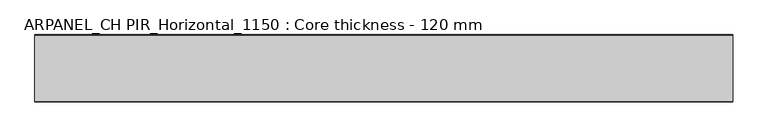
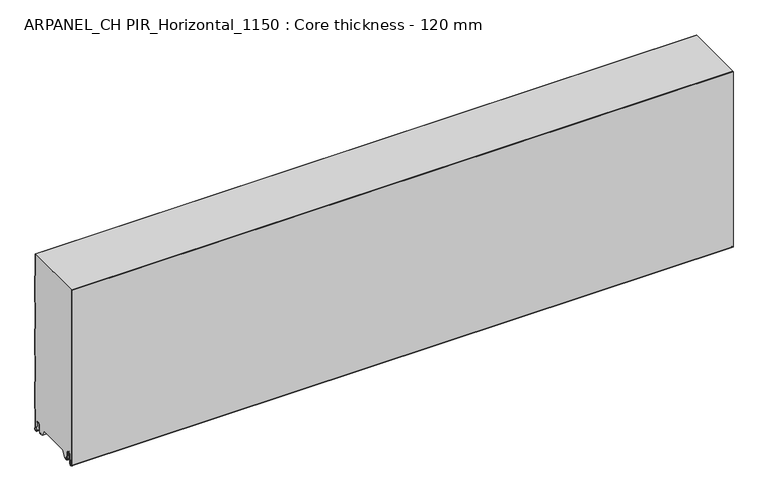
"""IFC4 building model written with IfcOpenShell, lengths in millimetres: plate geometry, ARPANEL_CH PIR_Horizontal_1150 : Core thickness - 120 mm."""

from ifc_helpers import new_model, si_unit, frame, origin, place, context, project, spatial, polyline, circle_curve, source, transform, mapped, element, save
from ifc_brep_helpers import plane_surface, cylinder_surface, revolved_surface, advanced_brep


def arpanel_ch_pir_horizontal_1150_core_thickness_120_mm_212ebed5(model_context):
    return source(origin(), model_context, "Body", "AdvancedBrep", [
        advanced_brep(
        [(620.0, -119.9996949, 3.0900682), (620.0, -113.81449, 2.7875612), (620.0, -112.197116, 19.2828169), (620.0, -109.1776715, 21.9898782), (620.0, -106.1582271, 19.2828169), (620.0, -104.7725998, 5.1510966), (620.0, -100.3830995, 5.365779), (620.0, -101.1830995, 5.365779), (620.0, -103.9764178, 5.2291629), (620.0, -105.3620451, 19.3608832), (620.0, -109.1776715, 22.7899182), (620.0, -112.9932979, 19.3608832), (620.0, -114.6106719, 2.8656275), (620.0, -119.1996949, 3.0900682), (620.0, -119.2, 350.0), (620.0, -119.9996949, 350.0), (-620.0, -119.1996949, 3.0900682), (-620.0, -114.6106719, 2.8656275), (-620.0, -112.9932979, 19.3608832), (-620.0, -109.1776715, 22.7899182), (-620.0, -105.3620451, 19.3608832), (-620.0, -103.9764178, 5.2291629), (-620.0, -101.1830995, 5.365779), (-620.0, -100.3830995, 5.365779), (-620.0, -104.7725998, 5.1510966), (-620.0, -106.1582271, 19.2828169), (-620.0, -109.1776715, 21.9898782), (-620.0, -112.197116, 19.2828169), (-620.0, -113.81449, 2.7875612), (-620.0, -119.9996949, 3.0900682), (-620.0, -119.9996949, 350.0), (-620.0, -119.2, 350.0)],
        [
            (0, 1, circle_curve(frame((620.0, -116.8996949, 3.0900682), z_axis=(1.0, 0.0, 0.0), x_axis=(0.0, 0.0, -1.0)), 3.1)),
            (1, 2),
            (2, 3, circle_curve(frame((620.0, -109.2114338, 18.9900682), z_axis=(-1.0, 0.0, 0.0), x_axis=(0.0, 0.0, -1.0)), 3.0)),
            (3, 4, circle_curve(frame((620.0, -109.1439093, 18.9900682), z_axis=(-1.0, 0.0, 0.0), x_axis=(0.0, 0.0, -1.0)), 3.0)),
            (4, 5),
            (5, 6, circle_curve(frame((620.0, -102.5830995, 5.365779), z_axis=(1.0, 0.0, 0.0), x_axis=(0.0, 0.0, -1.0)), 2.2)),
            (6, 7),
            (7, 8, circle_curve(frame((620.0, -102.5830995, 5.365779), z_axis=(-1.0, 0.0, 0.0), x_axis=(0.0, 0.0, -1.0)), 1.4)),
            (8, 9),
            (9, 10, circle_curve(frame((620.0, -109.1439093, 18.9900682), z_axis=(1.0, 0.0, 0.0), x_axis=(0.0, 0.0, -1.0)), 3.8)),
            (10, 11, circle_curve(frame((620.0, -109.2114338, 18.9900682), z_axis=(1.0, 0.0, 0.0), x_axis=(0.0, 0.0, -1.0)), 3.8)),
            (11, 12),
            (12, 13, circle_curve(frame((620.0, -116.8996949, 3.0900682), z_axis=(-1.0, 0.0, 0.0), x_axis=(0.0, 0.0, -1.0)), 2.3)),
            (13, 14),
            (14, 15),
            (15, 0),
            (16, 17, circle_curve(frame((-620.0, -116.8996949, 3.0900682), z_axis=(1.0, 0.0, 0.0), x_axis=(0.0, 0.0, -1.0)), 2.3)),
            (17, 18),
            (18, 19, circle_curve(frame((-620.0, -109.2114338, 18.9900682), z_axis=(-1.0, 0.0, 0.0), x_axis=(0.0, 0.0, -1.0)), 3.8)),
            (19, 20, circle_curve(frame((-620.0, -109.1439093, 18.9900682), z_axis=(-1.0, 0.0, 0.0), x_axis=(0.0, 0.0, -1.0)), 3.8)),
            (20, 21),
            (21, 22, circle_curve(frame((-620.0, -102.5830995, 5.365779), z_axis=(1.0, 0.0, 0.0), x_axis=(0.0, 0.0, -1.0)), 1.4)),
            (22, 23),
            (23, 24, circle_curve(frame((-620.0, -102.5830995, 5.365779), z_axis=(-1.0, 0.0, 0.0), x_axis=(0.0, 0.0, -1.0)), 2.2)),
            (24, 25),
            (25, 26, circle_curve(frame((-620.0, -109.1439093, 18.9900682), z_axis=(1.0, 0.0, 0.0), x_axis=(0.0, 0.0, -1.0)), 3.0)),
            (26, 27, circle_curve(frame((-620.0, -109.2114338, 18.9900682), z_axis=(1.0, 0.0, 0.0), x_axis=(0.0, 0.0, -1.0)), 3.0)),
            (27, 28),
            (28, 29, circle_curve(frame((-620.0, -116.8996949, 3.0900682), z_axis=(-1.0, 0.0, 0.0), x_axis=(0.0, 0.0, -1.0)), 3.1)),
            (29, 30),
            (30, 31),
            (31, 16),
            (13, 16),
            (31, 14),
            (29, 0),
            (15, 30),
            (12, 17),
            (11, 18),
            (10, 19),
            (9, 20),
            (8, 21),
            (7, 22),
            (6, 23),
            (5, 24),
            (4, 25),
            (3, 26),
            (2, 27),
            (1, 28),
        ],
        [
            plane_surface(frame((620.0, -120.0, 0.0), z_axis=(1.0, 0.0, 0.0), x_axis=(0.0, 1.0, 0.0))),
            plane_surface(frame((-620.0, -120.0, 0.0), z_axis=(-1.0, 0.0, 0.0), x_axis=(0.0, 1.0, 0.0))),
            plane_surface(frame((620.0, -119.2, 3.0900682), z_axis=(0.0, 1.0, 0.0), x_axis=(-1.0, 0.0, 0.0))),
            plane_surface(frame((620.0, -119.9996949, 1143.9000005), z_axis=(0.0, -1.0, 0.0), x_axis=(-1.0, 0.0, 0.0))),
            revolved_surface(polyline([(-620.0, -116.8996949, 0.7900682000000003), (620.0, -116.8996949, 0.7900682000000003)]), (620.0, -116.8996949, 3.0900682), (-1.0, 0.0, 0.0)),
            plane_surface(frame((620.0, -112.9932979, 19.3608832), z_axis=(0.0, -0.9952273999818314, 0.09758289975914787), x_axis=(-1.0, 0.0, 0.0))),
            cylinder_surface(frame((620.0, -109.2114338, 18.9900682), z_axis=(1.0, 0.0, 0.0), x_axis=(0.0, 0.0, -1.0)), 3.8),
            cylinder_surface(frame((620.0, -109.1439093, 18.9900682), z_axis=(1.0, 0.0, 0.0), x_axis=(0.0, 0.0, -1.0)), 3.8),
            plane_surface(frame((620.0, -103.9764178, 5.2291629), z_axis=(0.0, 0.9952273999818297, 0.09758289975916531), x_axis=(-1.0, 0.0, 0.0))),
            revolved_surface(polyline([(-620.0, -102.5830995, 3.965779), (620.0, -102.5830995, 3.965779)]), (620.0, -102.5830995, 5.365779), (-1.0, 0.0, 0.0)),
            plane_surface(frame((620.0, -100.3830995, 5.365779), z_axis=(0.0, 0.0, 1.0), x_axis=(-1.0, 0.0, 0.0))),
            cylinder_surface(frame((620.0, -102.5830995, 5.365779), z_axis=(1.0, 0.0, 0.0), x_axis=(0.0, 0.0, -1.0)), 2.2),
            plane_surface(frame((620.0, -106.1582271, 19.2828169), z_axis=(0.0, -0.9952273999818296, -0.09758289975916527), x_axis=(-1.0, 0.0, 0.0))),
            revolved_surface(polyline([(-620.0, -109.1439093, 15.9900682), (620.0, -109.1439093, 15.9900682)]), (620.0, -109.1439093, 18.9900682), (-1.0, 0.0, 0.0)),
            revolved_surface(polyline([(-620.0, -109.2114338, 15.9900682), (620.0, -109.2114338, 15.9900682)]), (620.0, -109.2114338, 18.9900682), (-1.0, 0.0, 0.0)),
            plane_surface(frame((620.0, -113.81449, 2.7875612), z_axis=(0.0, 0.9952273999818314, -0.09758289975914787), x_axis=(-1.0, 0.0, 0.0))),
            cylinder_surface(frame((620.0, -116.8996949, 3.0900682), z_axis=(1.0, 0.0, 0.0), x_axis=(0.0, 0.0, -1.0)), 3.1),
            plane_surface(frame((-620.0, 134.0533409, 350.0), z_axis=(0.0, 0.0, 1.0), x_axis=(1.0, 0.0, 0.0))),
        ],
        [
            (0, [[1, 2, 3, 4, 5, 6, 7, 8, 9, 10, 11, 12, 13, 14, 15, 16]]),
            (1, [[17, 18, 19, 20, 21, 22, 23, 24, 25, 26, 27, 28, 29, 30, 31, 32]]),
            (2, [[33, -32, 34, -14]]),
            (3, [[35, -16, 36, -30]]),
            (4, [[-13, 37, -17, -33]]),
            (5, [[-12, 38, -18, -37]]),
            (6, [[-11, 39, -19, -38]]),
            (7, [[-10, 40, -20, -39]]),
            (8, [[-9, 41, -21, -40]]),
            (9, [[-8, 42, -22, -41]]),
            (10, [[-7, 43, -23, -42]]),
            (11, [[-6, 44, -24, -43]]),
            (12, [[-5, 45, -25, -44]]),
            (13, [[-4, 46, -26, -45]]),
            (14, [[-3, 47, -27, -46]]),
            (15, [[-2, 48, -28, -47]]),
            (16, [[-1, -35, -29, -48]]),
            (17, [[-15, -34, -31, -36]]),
        ],
    ),
        advanced_brep(
        [(620.0, -89.873448, 15.1417681), (620.0, -30.126552, 15.1417681), (620.0, -23.4071318, 3.165779), (620.0, -17.4169005, 3.165779), (620.0, -19.6169005, 5.365779), (620.0, -18.8169005, 5.365779), (620.0, -16.0235822, 5.2291629), (620.0, -14.6379549, 19.3608832), (620.0, -10.8223285, 22.7899182), (620.0, -7.0067021, 19.3608832), (620.0, -5.3893281, 2.8656275), (620.0, -1.0794848, 4.1883784), (620.0, -1.5003051, 5.8439114), (620.0, -1.5003051, 42.0511837), (620.0, -1.0971009, 43.4705951), (620.0, -0.8, 44.5229805), (620.0, -0.8, 94.6827637), (620.0, -1.0986697, 95.7341795), (620.0, -1.5003051, 97.1545605), (620.0, -1.5003051, 147.3143437), (620.0, -1.0971009, 148.7337551), (620.0, -0.8, 149.7861405), (620.0, -0.8, 199.9459237), (620.0, -1.0986697, 200.9973395), (620.0, -1.5003051, 202.4177205), (620.0, -1.5003051, 252.5775037), (620.0, -1.0971009, 253.9969151), (620.0, -0.8, 255.0493005), (620.0, -0.8, 305.2090837), (620.0, -1.0986697, 306.2604995), (620.0, -1.5003051, 307.6808805), (620.0, -1.5003051, 350.0), (620.0, -119.2, 350.0), (620.0, -119.2, 3.0900682), (620.0, -114.6106719, 2.8656275), (620.0, -112.9932979, 19.3608832), (620.0, -109.1776715, 22.7899182), (620.0, -105.3620451, 19.3608832), (620.0, -103.9764178, 5.2291629), (620.0, -101.1830995, 5.365779), (620.0, -100.3830995, 5.365779), (620.0, -102.5830995, 3.165779), (620.0, -96.5928682, 3.165779), (-620.0, -30.126552, 15.1417681), (-620.0, -89.873448, 15.1417681), (-620.0, -96.5928682, 3.165779), (-620.0, -102.5830995, 3.165779), (-620.0, -100.3830995, 5.365779), (-620.0, -101.1830995, 5.365779), (-620.0, -103.9764178, 5.2291629), (-620.0, -105.3620451, 19.3608832), (-620.0, -109.1776715, 22.7899182), (-620.0, -112.9932979, 19.3608832), (-620.0, -114.6106719, 2.8656275), (-620.0, -119.1996949, 3.0900682), (-620.0, -119.2, 350.0), (-620.0, -1.5003051, 350.0), (-620.0, -1.5003051, 307.6808805), (-620.0, -1.0971009, 306.2614691), (-620.0, -0.8, 305.2090837), (-620.0, -0.8, 255.0493005), (-620.0, -1.0986697, 253.9978846), (-620.0, -1.5003051, 252.5775037), (-620.0, -1.5003051, 202.4177205), (-620.0, -1.0971009, 200.9983091), (-620.0, -0.8, 199.9459237), (-620.0, -0.8, 149.7861405), (-620.0, -1.0986697, 148.7347246), (-620.0, -1.5003051, 147.3143437), (-620.0, -1.5003051, 97.1545605), (-620.0, -1.0971009, 95.7351491), (-620.0, -0.8, 94.6827637), (-620.0, -0.8, 44.5229805), (-620.0, -1.0986697, 43.4715646), (-620.0, -1.5003051, 42.0511837), (-620.0, -1.5003051, 5.8439114), (-620.0, -1.0794848, 4.1883784), (-620.0, -5.3893281, 2.8656275), (-620.0, -7.0067021, 19.3608832), (-620.0, -10.8223285, 22.7899182), (-620.0, -14.6379549, 19.3608832), (-620.0, -16.0235822, 5.2291629), (-620.0, -18.8169005, 5.365779), (-620.0, -19.6169005, 5.365779), (-620.0, -17.4169005, 3.165779), (-620.0, -23.4071318, 3.165779)],
        [
            (0, 1),
            (1, 2),
            (2, 3),
            (3, 4, circle_curve(frame((620.0, -17.4169005, 5.365779), z_axis=(-1.0, 0.0, 0.0), x_axis=(0.0, 0.0, -1.0)), 2.2)),
            (4, 5),
            (5, 6, circle_curve(frame((620.0, -17.4169005, 5.365779), z_axis=(1.0, 0.0, 0.0), x_axis=(0.0, 0.0, -1.0)), 1.4)),
            (6, 7),
            (7, 8, circle_curve(frame((620.0, -10.8560907, 18.9900682), z_axis=(-1.0, 0.0, 0.0), x_axis=(0.0, 0.0, -1.0)), 3.8)),
            (8, 9, circle_curve(frame((620.0, -10.7885662, 18.9900682), z_axis=(-1.0, 0.0, 0.0), x_axis=(0.0, 0.0, -1.0)), 3.8)),
            (9, 10),
            (10, 11, circle_curve(frame((620.0, -3.1003051, 3.0900682), z_axis=(1.0, 0.0, 0.0), x_axis=(0.0, 0.0, -1.0)), 2.3)),
            (11, 12, circle_curve(frame((620.0, 1.9665895, 5.8439114), z_axis=(-1.0, 0.0, 0.0), x_axis=(0.0, 0.0, -1.0)), 3.4668946)),
            (12, 13),
            (13, 14, circle_curve(frame((620.0, 1.1996949, 42.0511837), z_axis=(-1.0, 0.0, 0.0), x_axis=(0.0, 0.0, -1.0)), 2.7)),
            (14, 15, circle_curve(frame((620.0, -2.8, 44.5229805), z_axis=(1.0, 0.0, 0.0), x_axis=(0.0, 0.0, -1.0)), 2.0)),
            (15, 16),
            (16, 17, circle_curve(frame((620.0, -2.8, 94.6827637), z_axis=(1.0, 0.0, 0.0), x_axis=(0.0, 0.0, -1.0)), 2.0)),
            (17, 18, circle_curve(frame((620.0, 1.1996949, 97.1545605), z_axis=(-1.0, 0.0, 0.0), x_axis=(0.0, 0.0, -1.0)), 2.7)),
            (18, 19),
            (19, 20, circle_curve(frame((620.0, 1.1996949, 147.3143437), z_axis=(-1.0, 0.0, 0.0), x_axis=(0.0, 0.0, -1.0)), 2.7)),
            (20, 21, circle_curve(frame((620.0, -2.8, 149.7861405), z_axis=(1.0, 0.0, 0.0), x_axis=(0.0, 0.0, -1.0)), 2.0)),
            (21, 22),
            (22, 23, circle_curve(frame((620.0, -2.8, 199.9459237), z_axis=(1.0, 0.0, 0.0), x_axis=(0.0, 0.0, -1.0)), 2.0)),
            (23, 24, circle_curve(frame((620.0, 1.1996949, 202.4177205), z_axis=(-1.0, 0.0, 0.0), x_axis=(0.0, 0.0, -1.0)), 2.7)),
            (24, 25),
            (25, 26, circle_curve(frame((620.0, 1.1996949, 252.5775037), z_axis=(-1.0, 0.0, 0.0), x_axis=(0.0, 0.0, -1.0)), 2.7)),
            (26, 27, circle_curve(frame((620.0, -2.8, 255.0493005), z_axis=(1.0, 0.0, 0.0), x_axis=(0.0, 0.0, -1.0)), 2.0)),
            (27, 28),
            (28, 29, circle_curve(frame((620.0, -2.8, 305.2090837), z_axis=(1.0, 0.0, 0.0), x_axis=(0.0, 0.0, -1.0)), 2.0)),
            (29, 30, circle_curve(frame((620.0, 1.1996949, 307.6808805), z_axis=(-1.0, 0.0, 0.0), x_axis=(0.0, 0.0, -1.0)), 2.7)),
            (30, 31),
            (31, 32),
            (32, 33),
            (33, 34, circle_curve(frame((620.0, -116.8996949, 3.0900682), z_axis=(1.0, 0.0, 0.0), x_axis=(0.0, 0.0, -1.0)), 2.3)),
            (34, 35),
            (35, 36, circle_curve(frame((620.0, -109.2114338, 18.9900682), z_axis=(-1.0, 0.0, 0.0), x_axis=(0.0, 0.0, -1.0)), 3.8)),
            (36, 37, circle_curve(frame((620.0, -109.1439093, 18.9900682), z_axis=(-1.0, 0.0, 0.0), x_axis=(0.0, 0.0, -1.0)), 3.8)),
            (37, 38),
            (38, 39, circle_curve(frame((620.0, -102.5830995, 5.365779), z_axis=(1.0, 0.0, 0.0), x_axis=(0.0, 0.0, -1.0)), 1.4)),
            (39, 40),
            (40, 41, circle_curve(frame((620.0, -102.5830995, 5.365779), z_axis=(-1.0, 0.0, 0.0), x_axis=(0.0, 0.0, -1.0)), 2.2)),
            (41, 42),
            (42, 0),
            (43, 44),
            (44, 45),
            (45, 46),
            (46, 47, circle_curve(frame((-620.0, -102.5830995, 5.365779), z_axis=(1.0, 0.0, 0.0), x_axis=(0.0, 0.0, -1.0)), 2.2)),
            (47, 48),
            (48, 49, circle_curve(frame((-620.0, -102.5830995, 5.365779), z_axis=(-1.0, 0.0, 0.0), x_axis=(0.0, 0.0, -1.0)), 1.4)),
            (49, 50),
            (50, 51, circle_curve(frame((-620.0, -109.1439093, 18.9900682), z_axis=(1.0, 0.0, 0.0), x_axis=(0.0, 0.0, -1.0)), 3.8)),
            (51, 52, circle_curve(frame((-620.0, -109.2114338, 18.9900682), z_axis=(1.0, 0.0, 0.0), x_axis=(0.0, 0.0, -1.0)), 3.8)),
            (52, 53),
            (53, 54, circle_curve(frame((-620.0, -116.8996949, 3.0900682), z_axis=(-1.0, 0.0, 0.0), x_axis=(0.0, 0.0, -1.0)), 2.3)),
            (54, 55),
            (55, 56),
            (56, 57),
            (57, 58, circle_curve(frame((-620.0, 1.1996949, 307.6808805), z_axis=(1.0, 0.0, 0.0), x_axis=(0.0, 0.0, -1.0)), 2.7)),
            (58, 59, circle_curve(frame((-620.0, -2.8, 305.2090837), z_axis=(-1.0, 0.0, 0.0), x_axis=(0.0, 0.0, -1.0)), 2.0)),
            (59, 60),
            (60, 61, circle_curve(frame((-620.0, -2.8, 255.0493005), z_axis=(-1.0, 0.0, 0.0), x_axis=(0.0, 0.0, -1.0)), 2.0)),
            (61, 62, circle_curve(frame((-620.0, 1.1996949, 252.5775037), z_axis=(1.0, 0.0, 0.0), x_axis=(0.0, 0.0, -1.0)), 2.7)),
            (62, 63),
            (63, 64, circle_curve(frame((-620.0, 1.1996949, 202.4177205), z_axis=(1.0, 0.0, 0.0), x_axis=(0.0, 0.0, -1.0)), 2.7)),
            (64, 65, circle_curve(frame((-620.0, -2.8, 199.9459237), z_axis=(-1.0, 0.0, 0.0), x_axis=(0.0, 0.0, -1.0)), 2.0)),
            (65, 66),
            (66, 67, circle_curve(frame((-620.0, -2.8, 149.7861405), z_axis=(-1.0, 0.0, 0.0), x_axis=(0.0, 0.0, -1.0)), 2.0)),
            (67, 68, circle_curve(frame((-620.0, 1.1996949, 147.3143437), z_axis=(1.0, 0.0, 0.0), x_axis=(0.0, 0.0, -1.0)), 2.7)),
            (68, 69),
            (69, 70, circle_curve(frame((-620.0, 1.1996949, 97.1545605), z_axis=(1.0, 0.0, 0.0), x_axis=(0.0, 0.0, -1.0)), 2.7)),
            (70, 71, circle_curve(frame((-620.0, -2.8, 94.6827637), z_axis=(-1.0, 0.0, 0.0), x_axis=(0.0, 0.0, -1.0)), 2.0)),
            (71, 72),
            (72, 73, circle_curve(frame((-620.0, -2.8, 44.5229805), z_axis=(-1.0, 0.0, 0.0), x_axis=(0.0, 0.0, -1.0)), 2.0)),
            (73, 74, circle_curve(frame((-620.0, 1.1996949, 42.0511837), z_axis=(1.0, 0.0, 0.0), x_axis=(0.0, 0.0, -1.0)), 2.7)),
            (74, 75),
            (75, 76, circle_curve(frame((-620.0, 1.9665895, 5.8439114), z_axis=(1.0, 0.0, 0.0), x_axis=(0.0, 0.0, -1.0)), 3.4668946)),
            (76, 77, circle_curve(frame((-620.0, -3.1003051, 3.0900682), z_axis=(-1.0, 0.0, 0.0), x_axis=(0.0, 0.0, -1.0)), 2.3)),
            (77, 78),
            (78, 79, circle_curve(frame((-620.0, -10.7885662, 18.9900682), z_axis=(1.0, 0.0, 0.0), x_axis=(0.0, 0.0, -1.0)), 3.8)),
            (79, 80, circle_curve(frame((-620.0, -10.8560907, 18.9900682), z_axis=(1.0, 0.0, 0.0), x_axis=(0.0, 0.0, -1.0)), 3.8)),
            (80, 81),
            (81, 82, circle_curve(frame((-620.0, -17.4169005, 5.365779), z_axis=(-1.0, 0.0, 0.0), x_axis=(0.0, 0.0, -1.0)), 1.4)),
            (82, 83),
            (83, 84, circle_curve(frame((-620.0, -17.4169005, 5.365779), z_axis=(1.0, 0.0, 0.0), x_axis=(0.0, 0.0, -1.0)), 2.2)),
            (84, 85),
            (85, 43),
            (1, 43),
            (85, 2),
            (0, 44),
            (42, 45),
            (64, 23),
            (22, 65),
            (63, 24),
            (62, 25),
            (61, 26),
            (60, 27),
            (59, 28),
            (58, 29),
            (57, 30),
            (56, 31),
            (54, 33),
            (32, 55),
            (84, 3),
            (41, 46),
            (83, 4),
            (82, 5),
            (81, 6),
            (80, 7),
            (79, 8),
            (78, 9),
            (77, 10),
            (76, 11),
            (75, 12),
            (74, 13),
            (73, 14),
            (72, 15),
            (71, 16),
            (70, 17),
            (69, 18),
            (68, 19),
            (67, 20),
            (66, 21),
            (53, 34),
            (52, 35),
            (51, 36),
            (50, 37),
            (49, 38),
            (48, 39),
            (47, 40),
        ],
        [
            plane_surface(frame((620.0, 0.0, 0.0), z_axis=(1.0, 0.0, 0.0), x_axis=(0.0, -1.0, 0.0))),
            plane_surface(frame((-620.0, 0.0, 0.0), z_axis=(-1.0, 0.0, 0.0), x_axis=(0.0, -1.0, 0.0))),
            plane_surface(frame((620.0, -30.126552, 15.1417681), z_axis=(0.0, -0.8721062992196836, -0.4893164649399687), x_axis=(-1.0, 0.0, 0.0))),
            plane_surface(frame((620.0, -89.873448, 15.1417681), z_axis=(0.0, 0.0, -1.0), x_axis=(-1.0, 0.0, 0.0))),
            plane_surface(frame((620.0, -96.8190247, 2.7627014), z_axis=(0.0, 0.8721062992196856, -0.48931646493996506), x_axis=(-1.0, 0.0, 0.0))),
            cylinder_surface(frame((750.0, -2.8, 199.9459237), z_axis=(-1.0, 0.0, 0.0), x_axis=(0.0, 0.0, -1.0)), 2.0),
            revolved_surface(polyline([(620.0, 1.1996949, 199.7177205), (-620.0, 1.1996949, 199.7177205)]), (750.0, 1.1996949, 202.4177205), (1.0, 0.0, 0.0)),
            plane_surface(frame((750.0, -1.5003051, 252.5775037), z_axis=(0.0, 1.0, 0.0), x_axis=(-1.0, 0.0, 0.0))),
            revolved_surface(polyline([(620.0, 1.1996949, 249.8775037), (-620.0, 1.1996949, 249.8775037)]), (750.0, 1.1996949, 252.5775037), (1.0, 0.0, 0.0)),
            cylinder_surface(frame((750.0, -2.8, 255.0493005), z_axis=(-1.0, 0.0, 0.0), x_axis=(0.0, 0.0, -1.0)), 2.0),
            plane_surface(frame((750.0, -0.8, 305.2090837), z_axis=(0.0, 1.0, 0.0), x_axis=(-1.0, 0.0, 0.0))),
            cylinder_surface(frame((750.0, -2.8, 305.2090837), z_axis=(-1.0, 0.0, 0.0), x_axis=(0.0, 0.0, -1.0)), 2.0),
            revolved_surface(polyline([(620.0, 1.1996949, 304.9808805), (-620.0, 1.1996949, 304.9808805)]), (750.0, 1.1996949, 307.6808805), (1.0, 0.0, 0.0)),
            plane_surface(frame((750.0, -1.5003051, 357.8406637), z_axis=(0.0, 1.0, 0.0), x_axis=(-1.0, 0.0, 0.0))),
            plane_surface(frame((750.0, -119.2, 3.0900682), z_axis=(0.0, -1.0, 0.0), x_axis=(-1.0, 0.0, 0.0))),
            plane_surface(frame((-620.0, -102.5830995, 3.165779), z_axis=(0.0, 0.0, -1.0), x_axis=(1.0, 0.0, 0.0))),
            revolved_surface(polyline([(620.0, -17.4169005, 3.1657789999999997), (-620.0, -17.4169005, 3.1657789999999997)]), (750.0, -17.4169005, 5.365779), (1.0, 0.0, 0.0)),
            plane_surface(frame((750.0, -18.8169005, 5.365779), z_axis=(0.0, 0.0, -1.0), x_axis=(-1.0, 0.0, 0.0))),
            cylinder_surface(frame((750.0, -17.4169005, 5.365779), z_axis=(-1.0, 0.0, 0.0), x_axis=(0.0, 0.0, -1.0)), 1.4),
            plane_surface(frame((750.0, -14.6379549, 19.3608832), z_axis=(0.0, 0.9952273999818297, -0.09758289975916531), x_axis=(-1.0, 0.0, 0.0))),
            revolved_surface(polyline([(620.0, -10.8560907, 15.190068199999999), (-620.0, -10.8560907, 15.190068199999999)]), (750.0, -10.8560907, 18.9900682), (1.0, 0.0, 0.0)),
            revolved_surface(polyline([(620.0, -10.7885662, 15.190068199999999), (-620.0, -10.7885662, 15.190068199999999)]), (750.0, -10.7885662, 18.9900682), (1.0, 0.0, 0.0)),
            plane_surface(frame((750.0, -5.3893281, 2.8656275), z_axis=(0.0, -0.9952273999818314, -0.09758289975914787), x_axis=(-1.0, 0.0, 0.0))),
            cylinder_surface(frame((750.0, -3.1003051, 3.0900682), z_axis=(-1.0, 0.0, 0.0), x_axis=(0.0, 0.0, -1.0)), 2.3),
            revolved_surface(polyline([(620.0, 1.9665895, 2.3770168), (-620.0, 1.9665895, 2.3770168)]), (750.0, 1.9665895, 5.8439114), (1.0, 0.0, 0.0)),
            plane_surface(frame((750.0, -1.5003051, 42.0511837), z_axis=(0.0, 1.0, 0.0), x_axis=(-1.0, 0.0, 0.0))),
            revolved_surface(polyline([(620.0, 1.1996949, 39.3511837), (-620.0, 1.1996949, 39.3511837)]), (750.0, 1.1996949, 42.0511837), (1.0, 0.0, 0.0)),
            cylinder_surface(frame((750.0, -2.8, 44.5229805), z_axis=(-1.0, 0.0, 0.0), x_axis=(0.0, 0.0, -1.0)), 2.0),
            plane_surface(frame((750.0, -0.8, 94.6827637), z_axis=(0.0, 1.0, 0.0), x_axis=(-1.0, 0.0, 0.0))),
            cylinder_surface(frame((750.0, -2.8, 94.6827637), z_axis=(-1.0, 0.0, 0.0), x_axis=(0.0, 0.0, -1.0)), 2.0),
            revolved_surface(polyline([(620.0, 1.1996949, 94.4545605), (-620.0, 1.1996949, 94.4545605)]), (750.0, 1.1996949, 97.1545605), (1.0, 0.0, 0.0)),
            plane_surface(frame((750.0, -1.5003051, 147.3143437), z_axis=(0.0, 1.0, 0.0), x_axis=(-1.0, 0.0, 0.0))),
            revolved_surface(polyline([(620.0, 1.1996949, 144.6143437), (-620.0, 1.1996949, 144.6143437)]), (750.0, 1.1996949, 147.3143437), (1.0, 0.0, 0.0)),
            cylinder_surface(frame((750.0, -2.8, 149.7861405), z_axis=(-1.0, 0.0, 0.0), x_axis=(0.0, 0.0, -1.0)), 2.0),
            plane_surface(frame((750.0, -0.8, 199.9459237), z_axis=(0.0, 1.0, 0.0), x_axis=(-1.0, 0.0, 0.0))),
            cylinder_surface(frame((750.0, -116.8996949, 3.0900682), z_axis=(-1.0, 0.0, 0.0), x_axis=(0.0, 0.0, -1.0)), 2.3),
            plane_surface(frame((750.0, -112.9932979, 19.3608832), z_axis=(0.0, 0.9952273999818314, -0.09758289975914787), x_axis=(-1.0, 0.0, 0.0))),
            revolved_surface(polyline([(620.0, -109.2114338, 15.190068199999999), (-620.0, -109.2114338, 15.190068199999999)]), (750.0, -109.2114338, 18.9900682), (1.0, 0.0, 0.0)),
            revolved_surface(polyline([(620.0, -109.1439093, 15.190068199999999), (-620.0, -109.1439093, 15.190068199999999)]), (750.0, -109.1439093, 18.9900682), (1.0, 0.0, 0.0)),
            plane_surface(frame((750.0, -103.9764178, 5.2291629), z_axis=(0.0, -0.9952273999818297, -0.09758289975916531), x_axis=(-1.0, 0.0, 0.0))),
            cylinder_surface(frame((750.0, -102.5830995, 5.365779), z_axis=(-1.0, 0.0, 0.0), x_axis=(0.0, 0.0, -1.0)), 1.4),
            plane_surface(frame((750.0, -100.3830995, 5.365779), z_axis=(0.0, 0.0, -1.0), x_axis=(-1.0, 0.0, 0.0))),
            revolved_surface(polyline([(620.0, -102.5830995, 3.1657789999999997), (-620.0, -102.5830995, 3.1657789999999997)]), (750.0, -102.5830995, 5.365779), (1.0, 0.0, 0.0)),
            plane_surface(frame((-620.0, 134.0533409, 350.0), z_axis=(0.0, 0.0, 1.0), x_axis=(1.0, 0.0, 0.0))),
        ],
        [
            (0, [[1, 2, 3, 4, 5, 6, 7, 8, 9, 10, 11, 12, 13, 14, 15, 16, 17, 18, 19, 20, 21, 22, 23, 24, 25, 26, 27, 28, 29, 30, 31, 32, 33, 34, 35, 36, 37, 38, 39, 40, 41, 42, 43]]),
            (1, [[44, 45, 46, 47, 48, 49, 50, 51, 52, 53, 54, 55, 56, 57, 58, 59, 60, 61, 62, 63, 64, 65, 66, 67, 68, 69, 70, 71, 72, 73, 74, 75, 76, 77, 78, 79, 80, 81, 82, 83, 84, 85, 86]]),
            (2, [[87, -86, 88, -2]]),
            (3, [[-1, 89, -44, -87]]),
            (4, [[-89, -43, 90, -45]]),
            (5, [[91, -23, 92, -65]]),
            (6, [[-91, -64, 93, -24]]),
            (7, [[-93, -63, 94, -25]]),
            (8, [[-94, -62, 95, -26]]),
            (9, [[-95, -61, 96, -27]]),
            (10, [[-96, -60, 97, -28]]),
            (11, [[-97, -59, 98, -29]]),
            (12, [[-98, -58, 99, -30]]),
            (13, [[-99, -57, 100, -31]]),
            (14, [[101, -33, 102, -55]]),
            (15, [[-3, -88, -85, 103]]),
            (15, [[-42, 104, -46, -90]]),
            (16, [[105, -4, -103, -84]]),
            (17, [[-105, -83, 106, -5]]),
            (18, [[-106, -82, 107, -6]]),
            (19, [[-107, -81, 108, -7]]),
            (20, [[-108, -80, 109, -8]]),
            (21, [[-109, -79, 110, -9]]),
            (22, [[-110, -78, 111, -10]]),
            (23, [[-111, -77, 112, -11]]),
            (24, [[-112, -76, 113, -12]]),
            (25, [[-113, -75, 114, -13]]),
            (26, [[-114, -74, 115, -14]]),
            (27, [[-115, -73, 116, -15]]),
            (28, [[-116, -72, 117, -16]]),
            (29, [[-117, -71, 118, -17]]),
            (30, [[-118, -70, 119, -18]]),
            (31, [[-119, -69, 120, -19]]),
            (32, [[-120, -68, 121, -20]]),
            (33, [[-121, -67, 122, -21]]),
            (34, [[-122, -66, -92, -22]]),
            (35, [[-101, -54, 123, -34]]),
            (36, [[-123, -53, 124, -35]]),
            (37, [[-124, -52, 125, -36]]),
            (38, [[-125, -51, 126, -37]]),
            (39, [[-126, -50, 127, -38]]),
            (40, [[-127, -49, 128, -39]]),
            (41, [[-128, -48, 129, -40]]),
            (42, [[-129, -47, -104, -41]]),
            (43, [[-100, -56, -102, -32]]),
        ],
    ),
        advanced_brep(
        [(-620.0, -0.7003051, 307.6808805), (-620.0, -0.4016712, 306.6295226), (-620.0, -0.0003051, 305.2090837), (-620.0, -0.0003051, 255.0493005), (-620.0, -0.4034608, 253.6299674), (-620.0, -0.7003051, 252.5775037), (-620.0, -0.7003051, 202.4177205), (-620.0, -0.4016712, 201.3663626), (-620.0, -0.0003051, 199.9459237), (-620.0, -0.0003051, 149.7861405), (-620.0, -0.4034608, 148.3668074), (-620.0, -0.7003051, 147.3143437), (-620.0, -0.7003051, 97.1545605), (-620.0, -0.4016712, 96.1032026), (-620.0, -0.0003051, 94.6827637), (-620.0, -0.0003051, 44.5229805), (-620.0, -0.4034608, 43.1036474), (-620.0, -0.7003051, 42.0511837), (-620.0, -0.7003051, 6.8391397), (-620.0, -0.2091664, 4.208691), (-620.0, -6.18551, 2.7875612), (-620.0, -7.802884, 19.2828169), (-620.0, -10.8223285, 21.9898782), (-620.0, -13.8417729, 19.2828169), (-620.0, -15.2274002, 5.1510966), (-620.0, -19.6169005, 5.365779), (-620.0, -18.8169005, 5.365779), (-620.0, -16.0235822, 5.2291629), (-620.0, -14.6379549, 19.3608832), (-620.0, -10.8223285, 22.7899182), (-620.0, -7.0067021, 19.3608832), (-620.0, -5.3893281, 2.8656275), (-620.0, -1.0794848, 4.1883784), (-620.0, -1.5003051, 5.8439114), (-620.0, -1.5003051, 42.0511837), (-620.0, -1.0971009, 43.4705951), (-620.0, -0.8, 44.5229805), (-620.0, -0.8, 94.6827637), (-620.0, -1.0986697, 95.7341795), (-620.0, -1.5003051, 97.1545605), (-620.0, -1.5003051, 147.3143437), (-620.0, -1.0971009, 148.7337551), (-620.0, -0.8, 149.7861405), (-620.0, -0.8, 199.9459237), (-620.0, -1.0986697, 200.9973395), (-620.0, -1.5003051, 202.4177205), (-620.0, -1.5003051, 252.5775037), (-620.0, -1.0971009, 253.9969151), (-620.0, -0.8, 255.0493005), (-620.0, -0.8, 305.2090837), (-620.0, -1.0986697, 306.2604995), (-620.0, -1.5003051, 307.6808805), (-620.0, -1.5003051, 350.0), (-620.0, -0.7003051, 350.0), (620.0, -1.5003051, 307.6808805), (620.0, -1.0971009, 306.2614691), (620.0, -0.8, 305.2090837), (620.0, -0.8, 255.0493005), (620.0, -1.0986697, 253.9978846), (620.0, -1.5003051, 252.5775037), (620.0, -1.5003051, 202.4177205), (620.0, -1.0971009, 200.9983091), (620.0, -0.8, 199.9459237), (620.0, -0.8, 149.7861405), (620.0, -1.0986697, 148.7347246), (620.0, -1.5003051, 147.3143437), (620.0, -1.5003051, 97.1545605), (620.0, -1.0971009, 95.7351491), (620.0, -0.8, 94.6827637), (620.0, -0.8, 44.5229805), (620.0, -1.0986697, 43.4715646), (620.0, -1.5003051, 42.0511837), (620.0, -1.5003051, 5.8439114), (620.0, -1.0794848, 4.1883784), (620.0, -5.3893281, 2.8656275), (620.0, -7.0067021, 19.3608832), (620.0, -10.8223285, 22.7899182), (620.0, -14.6379549, 19.3608832), (620.0, -16.0235822, 5.2291629), (620.0, -18.8169005, 5.365779), (620.0, -19.6169005, 5.365779), (620.0, -15.2274002, 5.1510966), (620.0, -13.8417729, 19.2828169), (620.0, -10.8223285, 21.9898782), (620.0, -7.802884, 19.2828169), (620.0, -6.18551, 2.7875612), (620.0, -0.2091664, 4.208691), (620.0, -0.7003051, 6.8391397), (620.0, -0.7003051, 42.0511837), (620.0, -0.4016712, 43.1025415), (620.0, -0.0003051, 44.5229805), (620.0, -0.0003051, 94.6827637), (620.0, -0.4034608, 96.1020968), (620.0, -0.7003051, 97.1545605), (620.0, -0.7003051, 147.3143437), (620.0, -0.4016712, 148.3657015), (620.0, -0.0003051, 149.7861405), (620.0, -0.0003051, 199.9459237), (620.0, -0.4034608, 201.3652568), (620.0, -0.7003051, 202.4177205), (620.0, -0.7003051, 252.5775037), (620.0, -0.4016712, 253.6288615), (620.0, -0.0003051, 255.0493005), (620.0, -0.0003051, 305.2090837), (620.0, -0.4034608, 306.6284168), (620.0, -0.7003051, 307.6808805), (620.0, -0.7003051, 350.0), (620.0, -1.5003051, 350.0)],
        [
            (0, 1, circle_curve(frame((-620.0, 1.2996949, 307.6808805), z_axis=(1.0, 0.0, 0.0), x_axis=(0.0, 0.0, -1.0)), 2.0)),
            (1, 2, circle_curve(frame((-620.0, -2.7003051, 305.2090837), z_axis=(-1.0, 0.0, 0.0), x_axis=(0.0, 0.0, -1.0)), 2.7)),
            (2, 3),
            (3, 4, circle_curve(frame((-620.0, -2.7003051, 255.0493005), z_axis=(-1.0, 0.0, 0.0), x_axis=(0.0, 0.0, -1.0)), 2.7)),
            (4, 5, circle_curve(frame((-620.0, 1.2996949, 252.5775037), z_axis=(1.0, 0.0, 0.0), x_axis=(0.0, 0.0, -1.0)), 2.0)),
            (5, 6),
            (6, 7, circle_curve(frame((-620.0, 1.2996949, 202.4177205), z_axis=(1.0, 0.0, 0.0), x_axis=(0.0, 0.0, -1.0)), 2.0)),
            (7, 8, circle_curve(frame((-620.0, -2.7003051, 199.9459237), z_axis=(-1.0, 0.0, 0.0), x_axis=(0.0, 0.0, -1.0)), 2.7)),
            (8, 9),
            (9, 10, circle_curve(frame((-620.0, -2.7003051, 149.7861405), z_axis=(-1.0, 0.0, 0.0), x_axis=(0.0, 0.0, -1.0)), 2.7)),
            (10, 11, circle_curve(frame((-620.0, 1.2996949, 147.3143437), z_axis=(1.0, 0.0, 0.0), x_axis=(0.0, 0.0, -1.0)), 2.0)),
            (11, 12),
            (12, 13, circle_curve(frame((-620.0, 1.2996949, 97.1545605), z_axis=(1.0, 0.0, 0.0), x_axis=(0.0, 0.0, -1.0)), 2.0)),
            (13, 14, circle_curve(frame((-620.0, -2.7003051, 94.6827637), z_axis=(-1.0, 0.0, 0.0), x_axis=(0.0, 0.0, -1.0)), 2.7)),
            (14, 15),
            (15, 16, circle_curve(frame((-620.0, -2.7003051, 44.5229805), z_axis=(-1.0, 0.0, 0.0), x_axis=(0.0, 0.0, -1.0)), 2.7)),
            (16, 17, circle_curve(frame((-620.0, 1.2996949, 42.0511837), z_axis=(1.0, 0.0, 0.0), x_axis=(0.0, 0.0, -1.0)), 2.0)),
            (17, 18),
            (18, 19, circle_curve(frame((-620.0, 6.5893647, 6.8391397), z_axis=(1.0, 0.0, 0.0), x_axis=(0.0, 0.0, -1.0)), 7.2896698)),
            (19, 20, circle_curve(frame((-620.0, -3.1003051, 3.0900682), z_axis=(-1.0, 0.0, 0.0), x_axis=(0.0, 0.0, -1.0)), 3.1)),
            (20, 21),
            (21, 22, circle_curve(frame((-620.0, -10.7885662, 18.9900682), z_axis=(1.0, 0.0, 0.0), x_axis=(0.0, 0.0, -1.0)), 3.0)),
            (22, 23, circle_curve(frame((-620.0, -10.8560907, 18.9900682), z_axis=(1.0, 0.0, 0.0), x_axis=(0.0, 0.0, -1.0)), 3.0)),
            (23, 24),
            (24, 25, circle_curve(frame((-620.0, -17.4169005, 5.365779), z_axis=(-1.0, 0.0, 0.0), x_axis=(0.0, 0.0, -1.0)), 2.2)),
            (25, 26),
            (26, 27, circle_curve(frame((-620.0, -17.4169005, 5.365779), z_axis=(1.0, 0.0, 0.0), x_axis=(0.0, 0.0, -1.0)), 1.4)),
            (27, 28),
            (28, 29, circle_curve(frame((-620.0, -10.8560907, 18.9900682), z_axis=(-1.0, 0.0, 0.0), x_axis=(0.0, 0.0, -1.0)), 3.8)),
            (29, 30, circle_curve(frame((-620.0, -10.7885662, 18.9900682), z_axis=(-1.0, 0.0, 0.0), x_axis=(0.0, 0.0, -1.0)), 3.8)),
            (30, 31),
            (31, 32, circle_curve(frame((-620.0, -3.1003051, 3.0900682), z_axis=(1.0, 0.0, 0.0), x_axis=(0.0, 0.0, -1.0)), 2.3)),
            (32, 33, circle_curve(frame((-620.0, 1.9665895, 5.8439114), z_axis=(-1.0, 0.0, 0.0), x_axis=(0.0, 0.0, -1.0)), 3.4668946)),
            (33, 34),
            (34, 35, circle_curve(frame((-620.0, 1.1996949, 42.0511837), z_axis=(-1.0, 0.0, 0.0), x_axis=(0.0, 0.0, -1.0)), 2.7)),
            (35, 36, circle_curve(frame((-620.0, -2.8, 44.5229805), z_axis=(1.0, 0.0, 0.0), x_axis=(0.0, 0.0, -1.0)), 2.0)),
            (36, 37),
            (37, 38, circle_curve(frame((-620.0, -2.8, 94.6827637), z_axis=(1.0, 0.0, 0.0), x_axis=(0.0, 0.0, -1.0)), 2.0)),
            (38, 39, circle_curve(frame((-620.0, 1.1996949, 97.1545605), z_axis=(-1.0, 0.0, 0.0), x_axis=(0.0, 0.0, -1.0)), 2.7)),
            (39, 40),
            (40, 41, circle_curve(frame((-620.0, 1.1996949, 147.3143437), z_axis=(-1.0, 0.0, 0.0), x_axis=(0.0, 0.0, -1.0)), 2.7)),
            (41, 42, circle_curve(frame((-620.0, -2.8, 149.7861405), z_axis=(1.0, 0.0, 0.0), x_axis=(0.0, 0.0, -1.0)), 2.0)),
            (42, 43),
            (43, 44, circle_curve(frame((-620.0, -2.8, 199.9459237), z_axis=(1.0, 0.0, 0.0), x_axis=(0.0, 0.0, -1.0)), 2.0)),
            (44, 45, circle_curve(frame((-620.0, 1.1996949, 202.4177205), z_axis=(-1.0, 0.0, 0.0), x_axis=(0.0, 0.0, -1.0)), 2.7)),
            (45, 46),
            (46, 47, circle_curve(frame((-620.0, 1.1996949, 252.5775037), z_axis=(-1.0, 0.0, 0.0), x_axis=(0.0, 0.0, -1.0)), 2.7)),
            (47, 48, circle_curve(frame((-620.0, -2.8, 255.0493005), z_axis=(1.0, 0.0, 0.0), x_axis=(0.0, 0.0, -1.0)), 2.0)),
            (48, 49),
            (49, 50, circle_curve(frame((-620.0, -2.8, 305.2090837), z_axis=(1.0, 0.0, 0.0), x_axis=(0.0, 0.0, -1.0)), 2.0)),
            (50, 51, circle_curve(frame((-620.0, 1.1996949, 307.6808805), z_axis=(-1.0, 0.0, 0.0), x_axis=(0.0, 0.0, -1.0)), 2.7)),
            (51, 52),
            (52, 53),
            (53, 0),
            (54, 55, circle_curve(frame((620.0, 1.1996949, 307.6808805), z_axis=(1.0, 0.0, 0.0), x_axis=(0.0, 0.0, -1.0)), 2.7)),
            (55, 56, circle_curve(frame((620.0, -2.8, 305.2090837), z_axis=(-1.0, 0.0, 0.0), x_axis=(0.0, 0.0, -1.0)), 2.0)),
            (56, 57),
            (57, 58, circle_curve(frame((620.0, -2.8, 255.0493005), z_axis=(-1.0, 0.0, 0.0), x_axis=(0.0, 0.0, -1.0)), 2.0)),
            (58, 59, circle_curve(frame((620.0, 1.1996949, 252.5775037), z_axis=(1.0, 0.0, 0.0), x_axis=(0.0, 0.0, -1.0)), 2.7)),
            (59, 60),
            (60, 61, circle_curve(frame((620.0, 1.1996949, 202.4177205), z_axis=(1.0, 0.0, 0.0), x_axis=(0.0, 0.0, -1.0)), 2.7)),
            (61, 62, circle_curve(frame((620.0, -2.8, 199.9459237), z_axis=(-1.0, 0.0, 0.0), x_axis=(0.0, 0.0, -1.0)), 2.0)),
            (62, 63),
            (63, 64, circle_curve(frame((620.0, -2.8, 149.7861405), z_axis=(-1.0, 0.0, 0.0), x_axis=(0.0, 0.0, -1.0)), 2.0)),
            (64, 65, circle_curve(frame((620.0, 1.1996949, 147.3143437), z_axis=(1.0, 0.0, 0.0), x_axis=(0.0, 0.0, -1.0)), 2.7)),
            (65, 66),
            (66, 67, circle_curve(frame((620.0, 1.1996949, 97.1545605), z_axis=(1.0, 0.0, 0.0), x_axis=(0.0, 0.0, -1.0)), 2.7)),
            (67, 68, circle_curve(frame((620.0, -2.8, 94.6827637), z_axis=(-1.0, 0.0, 0.0), x_axis=(0.0, 0.0, -1.0)), 2.0)),
            (68, 69),
            (69, 70, circle_curve(frame((620.0, -2.8, 44.5229805), z_axis=(-1.0, 0.0, 0.0), x_axis=(0.0, 0.0, -1.0)), 2.0)),
            (70, 71, circle_curve(frame((620.0, 1.1996949, 42.0511837), z_axis=(1.0, 0.0, 0.0), x_axis=(0.0, 0.0, -1.0)), 2.7)),
            (71, 72),
            (72, 73, circle_curve(frame((620.0, 1.9665895, 5.8439114), z_axis=(1.0, 0.0, 0.0), x_axis=(0.0, 0.0, -1.0)), 3.4668946)),
            (73, 74, circle_curve(frame((620.0, -3.1003051, 3.0900682), z_axis=(-1.0, 0.0, 0.0), x_axis=(0.0, 0.0, -1.0)), 2.3)),
            (74, 75),
            (75, 76, circle_curve(frame((620.0, -10.7885662, 18.9900682), z_axis=(1.0, 0.0, 0.0), x_axis=(0.0, 0.0, -1.0)), 3.8)),
            (76, 77, circle_curve(frame((620.0, -10.8560907, 18.9900682), z_axis=(1.0, 0.0, 0.0), x_axis=(0.0, 0.0, -1.0)), 3.8)),
            (77, 78),
            (78, 79, circle_curve(frame((620.0, -17.4169005, 5.365779), z_axis=(-1.0, 0.0, 0.0), x_axis=(0.0, 0.0, -1.0)), 1.4)),
            (79, 80),
            (80, 81, circle_curve(frame((620.0, -17.4169005, 5.365779), z_axis=(1.0, 0.0, 0.0), x_axis=(0.0, 0.0, -1.0)), 2.2)),
            (81, 82),
            (82, 83, circle_curve(frame((620.0, -10.8560907, 18.9900682), z_axis=(-1.0, 0.0, 0.0), x_axis=(0.0, 0.0, -1.0)), 3.0)),
            (83, 84, circle_curve(frame((620.0, -10.7885662, 18.9900682), z_axis=(-1.0, 0.0, 0.0), x_axis=(0.0, 0.0, -1.0)), 3.0)),
            (84, 85),
            (85, 86, circle_curve(frame((620.0, -3.1003051, 3.0900682), z_axis=(1.0, 0.0, 0.0), x_axis=(0.0, 0.0, -1.0)), 3.1)),
            (86, 87, circle_curve(frame((620.0, 6.5893647, 6.8391397), z_axis=(-1.0, 0.0, 0.0), x_axis=(0.0, 0.0, -1.0)), 7.2896698)),
            (87, 88),
            (88, 89, circle_curve(frame((620.0, 1.2996949, 42.0511837), z_axis=(-1.0, 0.0, 0.0), x_axis=(0.0, 0.0, -1.0)), 2.0)),
            (89, 90, circle_curve(frame((620.0, -2.7003051, 44.5229805), z_axis=(1.0, 0.0, 0.0), x_axis=(0.0, 0.0, -1.0)), 2.7)),
            (90, 91),
            (91, 92, circle_curve(frame((620.0, -2.7003051, 94.6827637), z_axis=(1.0, 0.0, 0.0), x_axis=(0.0, 0.0, -1.0)), 2.7)),
            (92, 93, circle_curve(frame((620.0, 1.2996949, 97.1545605), z_axis=(-1.0, 0.0, 0.0), x_axis=(0.0, 0.0, -1.0)), 2.0)),
            (93, 94),
            (94, 95, circle_curve(frame((620.0, 1.2996949, 147.3143437), z_axis=(-1.0, 0.0, 0.0), x_axis=(0.0, 0.0, -1.0)), 2.0)),
            (95, 96, circle_curve(frame((620.0, -2.7003051, 149.7861405), z_axis=(1.0, 0.0, 0.0), x_axis=(0.0, 0.0, -1.0)), 2.7)),
            (96, 97),
            (97, 98, circle_curve(frame((620.0, -2.7003051, 199.9459237), z_axis=(1.0, 0.0, 0.0), x_axis=(0.0, 0.0, -1.0)), 2.7)),
            (98, 99, circle_curve(frame((620.0, 1.2996949, 202.4177205), z_axis=(-1.0, 0.0, 0.0), x_axis=(0.0, 0.0, -1.0)), 2.0)),
            (99, 100),
            (100, 101, circle_curve(frame((620.0, 1.2996949, 252.5775037), z_axis=(-1.0, 0.0, 0.0), x_axis=(0.0, 0.0, -1.0)), 2.0)),
            (101, 102, circle_curve(frame((620.0, -2.7003051, 255.0493005), z_axis=(1.0, 0.0, 0.0), x_axis=(0.0, 0.0, -1.0)), 2.7)),
            (102, 103),
            (103, 104, circle_curve(frame((620.0, -2.7003051, 305.2090837), z_axis=(1.0, 0.0, 0.0), x_axis=(0.0, 0.0, -1.0)), 2.7)),
            (104, 105, circle_curve(frame((620.0, 1.2996949, 307.6808805), z_axis=(-1.0, 0.0, 0.0), x_axis=(0.0, 0.0, -1.0)), 2.0)),
            (105, 106),
            (106, 107),
            (107, 54),
            (51, 54),
            (107, 52),
            (50, 55),
            (49, 56),
            (48, 57),
            (47, 58),
            (46, 59),
            (45, 60),
            (44, 61),
            (43, 62),
            (31, 74),
            (73, 32),
            (30, 75),
            (29, 76),
            (28, 77),
            (27, 78),
            (26, 79),
            (25, 80),
            (24, 81),
            (23, 82),
            (22, 83),
            (21, 84),
            (20, 85),
            (19, 86),
            (7, 98),
            (97, 8),
            (6, 99),
            (5, 100),
            (4, 101),
            (3, 102),
            (2, 103),
            (1, 104),
            (0, 105),
            (53, 106),
            (42, 63),
            (41, 64),
            (40, 65),
            (39, 66),
            (38, 67),
            (37, 68),
            (36, 69),
            (35, 70),
            (34, 71),
            (33, 72),
            (18, 87),
            (17, 88),
            (16, 89),
            (15, 90),
            (14, 91),
            (13, 92),
            (12, 93),
            (11, 94),
            (10, 95),
            (9, 96),
        ],
        [
            plane_surface(frame((-620.0, 0.0, 0.0), z_axis=(-1.0, 0.0, 0.0), x_axis=(0.0, -1.0, 0.0))),
            plane_surface(frame((620.0, 0.0, 0.0), z_axis=(1.0, 0.0, 0.0), x_axis=(0.0, -1.0, 0.0))),
            plane_surface(frame((-620.0, -1.5003051, 307.6808805), z_axis=(0.0, -1.0, 0.0), x_axis=(1.0, 0.0, 0.0))),
            cylinder_surface(frame((-620.0, 1.1996949, 307.6808805), z_axis=(-1.0, 0.0, 0.0), x_axis=(0.0, 0.0, -1.0)), 2.7),
            revolved_surface(polyline([(620.0, -2.8, 303.2090837), (-620.0, -2.8, 303.2090837)]), (-620.0, -2.8, 305.2090837), (1.0, 0.0, 0.0)),
            plane_surface(frame((-620.0, -0.8, 255.0493005), z_axis=(0.0, -1.0, 0.0), x_axis=(1.0, 0.0, 0.0))),
            revolved_surface(polyline([(620.0, -2.8, 253.0493005), (-620.0, -2.8, 253.0493005)]), (-620.0, -2.8, 255.0493005), (1.0, 0.0, 0.0)),
            cylinder_surface(frame((-620.0, 1.1996949, 252.5775037), z_axis=(-1.0, 0.0, 0.0), x_axis=(0.0, 0.0, -1.0)), 2.7),
            plane_surface(frame((-620.0, -1.5003051, 202.4177205), z_axis=(0.0, -1.0, 0.0), x_axis=(1.0, 0.0, 0.0))),
            cylinder_surface(frame((-620.0, 1.1996949, 202.4177205), z_axis=(-1.0, 0.0, 0.0), x_axis=(0.0, 0.0, -1.0)), 2.7),
            revolved_surface(polyline([(620.0, -2.8, 197.9459237), (-620.0, -2.8, 197.9459237)]), (-620.0, -2.8, 199.9459237), (1.0, 0.0, 0.0)),
            revolved_surface(polyline([(620.0, -3.1003051, 0.7900682000000003), (-620.0, -3.1003051, 0.7900682000000003)]), (-620.0, -3.1003051, 3.0900682), (1.0, 0.0, 0.0)),
            plane_surface(frame((-620.0, -7.0067021, 19.3608832), z_axis=(0.0, 0.9952273999818314, 0.09758289975914787), x_axis=(1.0, 0.0, 0.0))),
            cylinder_surface(frame((-620.0, -10.7885662, 18.9900682), z_axis=(-1.0, 0.0, 0.0), x_axis=(0.0, 0.0, -1.0)), 3.8),
            cylinder_surface(frame((-620.0, -10.8560907, 18.9900682), z_axis=(-1.0, 0.0, 0.0), x_axis=(0.0, 0.0, -1.0)), 3.8),
            plane_surface(frame((-620.0, -16.0235822, 5.2291629), z_axis=(0.0, -0.9952273999818297, 0.09758289975916531), x_axis=(1.0, 0.0, 0.0))),
            revolved_surface(polyline([(620.0, -17.4169005, 3.965779), (-620.0, -17.4169005, 3.965779)]), (-620.0, -17.4169005, 5.365779), (1.0, 0.0, 0.0)),
            plane_surface(frame((-620.0, -19.6169005, 5.365779), z_axis=(0.0, 0.0, 1.0), x_axis=(1.0, 0.0, 0.0))),
            cylinder_surface(frame((-620.0, -17.4169005, 5.365779), z_axis=(-1.0, 0.0, 0.0), x_axis=(0.0, 0.0, -1.0)), 2.2),
            plane_surface(frame((-620.0, -13.8417729, 19.2828169), z_axis=(0.0, 0.9952273999818296, -0.09758289975916527), x_axis=(1.0, 0.0, 0.0))),
            revolved_surface(polyline([(620.0, -10.8560907, 15.9900682), (-620.0, -10.8560907, 15.9900682)]), (-620.0, -10.8560907, 18.9900682), (1.0, 0.0, 0.0)),
            revolved_surface(polyline([(620.0, -10.7885662, 15.9900682), (-620.0, -10.7885662, 15.9900682)]), (-620.0, -10.7885662, 18.9900682), (1.0, 0.0, 0.0)),
            plane_surface(frame((-620.0, -6.18551, 2.7875612), z_axis=(0.0, -0.9952273999818314, -0.09758289975914787), x_axis=(1.0, 0.0, 0.0))),
            cylinder_surface(frame((-620.0, -3.1003051, 3.0900682), z_axis=(-1.0, 0.0, 0.0), x_axis=(0.0, 0.0, -1.0)), 3.1),
            cylinder_surface(frame((-620.0, -2.7003051, 199.9459237), z_axis=(-1.0, 0.0, 0.0), x_axis=(0.0, 0.0, -1.0)), 2.7),
            revolved_surface(polyline([(620.0, 1.2996949, 200.4177205), (-620.0, 1.2996949, 200.4177205)]), (-620.0, 1.2996949, 202.4177205), (1.0, 0.0, 0.0)),
            plane_surface(frame((-620.0, -0.7003051, 252.5775037), z_axis=(0.0, 1.0, 0.0), x_axis=(1.0, 0.0, 0.0))),
            revolved_surface(polyline([(620.0, 1.2996949, 250.5775037), (-620.0, 1.2996949, 250.5775037)]), (-620.0, 1.2996949, 252.5775037), (1.0, 0.0, 0.0)),
            cylinder_surface(frame((-620.0, -2.7003051, 255.0493005), z_axis=(-1.0, 0.0, 0.0), x_axis=(0.0, 0.0, -1.0)), 2.7),
            plane_surface(frame((-620.0, -0.0003051, 305.2090837), z_axis=(0.0, 1.0, 0.0), x_axis=(1.0, 0.0, 0.0))),
            cylinder_surface(frame((-620.0, -2.7003051, 305.2090837), z_axis=(-1.0, 0.0, 0.0), x_axis=(0.0, 0.0, -1.0)), 2.7),
            revolved_surface(polyline([(620.0, 1.2996949, 305.6808805), (-620.0, 1.2996949, 305.6808805)]), (-620.0, 1.2996949, 307.6808805), (1.0, 0.0, 0.0)),
            plane_surface(frame((-620.0, -0.7003051, 357.8406637), z_axis=(0.0, 1.0, 0.0), x_axis=(1.0, 0.0, 0.0))),
            plane_surface(frame((-620.0, -0.8, 149.7861405), z_axis=(0.0, -1.0, 0.0), x_axis=(1.0, 0.0, 0.0))),
            revolved_surface(polyline([(620.0, -2.8, 147.7861405), (-620.0, -2.8, 147.7861405)]), (-620.0, -2.8, 149.7861405), (1.0, 0.0, 0.0)),
            cylinder_surface(frame((-620.0, 1.1996949, 147.3143437), z_axis=(-1.0, 0.0, 0.0), x_axis=(0.0, 0.0, -1.0)), 2.7),
            plane_surface(frame((-620.0, -1.5003051, 97.1545605), z_axis=(0.0, -1.0, 0.0), x_axis=(1.0, 0.0, 0.0))),
            cylinder_surface(frame((-620.0, 1.1996949, 97.1545605), z_axis=(-1.0, 0.0, 0.0), x_axis=(0.0, 0.0, -1.0)), 2.7),
            revolved_surface(polyline([(620.0, -2.8, 92.6827637), (-620.0, -2.8, 92.6827637)]), (-620.0, -2.8, 94.6827637), (1.0, 0.0, 0.0)),
            plane_surface(frame((-620.0, -0.8, 44.5229805), z_axis=(0.0, -1.0, 0.0), x_axis=(1.0, 0.0, 0.0))),
            revolved_surface(polyline([(620.0, -2.8, 42.5229805), (-620.0, -2.8, 42.5229805)]), (-620.0, -2.8, 44.5229805), (1.0, 0.0, 0.0)),
            cylinder_surface(frame((-620.0, 1.1996949, 42.0511837), z_axis=(-1.0, 0.0, 0.0), x_axis=(0.0, 0.0, -1.0)), 2.7),
            plane_surface(frame((-620.0, -1.5003051, 5.8439114), z_axis=(0.0, -1.0, 0.0), x_axis=(1.0, 0.0, 0.0))),
            cylinder_surface(frame((-620.0, 1.9665895, 5.8439114), z_axis=(-1.0, 0.0, 0.0), x_axis=(0.0, 0.0, -1.0)), 3.4668946),
            revolved_surface(polyline([(620.0, 6.5893647, -0.4505301000000008), (-620.0, 6.5893647, -0.4505301000000008)]), (-620.0, 6.5893647, 6.8391397), (1.0, 0.0, 0.0)),
            plane_surface(frame((-620.0, -0.7003051, 42.0511837), z_axis=(0.0, 1.0, 0.0), x_axis=(1.0, 0.0, 0.0))),
            revolved_surface(polyline([(620.0, 1.2996949, 40.0511837), (-620.0, 1.2996949, 40.0511837)]), (-620.0, 1.2996949, 42.0511837), (1.0, 0.0, 0.0)),
            cylinder_surface(frame((-620.0, -2.7003051, 44.5229805), z_axis=(-1.0, 0.0, 0.0), x_axis=(0.0, 0.0, -1.0)), 2.7),
            plane_surface(frame((-620.0, -0.0003051, 94.6827637), z_axis=(0.0, 1.0, 0.0), x_axis=(1.0, 0.0, 0.0))),
            cylinder_surface(frame((-620.0, -2.7003051, 94.6827637), z_axis=(-1.0, 0.0, 0.0), x_axis=(0.0, 0.0, -1.0)), 2.7),
            revolved_surface(polyline([(620.0, 1.2996949, 95.1545605), (-620.0, 1.2996949, 95.1545605)]), (-620.0, 1.2996949, 97.1545605), (1.0, 0.0, 0.0)),
            plane_surface(frame((-620.0, -0.7003051, 147.3143437), z_axis=(0.0, 1.0, 0.0), x_axis=(1.0, 0.0, 0.0))),
            revolved_surface(polyline([(620.0, 1.2996949, 145.3143437), (-620.0, 1.2996949, 145.3143437)]), (-620.0, 1.2996949, 147.3143437), (1.0, 0.0, 0.0)),
            cylinder_surface(frame((-620.0, -2.7003051, 149.7861405), z_axis=(-1.0, 0.0, 0.0), x_axis=(0.0, 0.0, -1.0)), 2.7),
            plane_surface(frame((-620.0, -0.0003051, 199.9459237), z_axis=(0.0, 1.0, 0.0), x_axis=(1.0, 0.0, 0.0))),
            plane_surface(frame((-620.0, 134.0533409, 350.0), z_axis=(0.0, 0.0, 1.0), x_axis=(1.0, 0.0, 0.0))),
        ],
        [
            (0, [[1, 2, 3, 4, 5, 6, 7, 8, 9, 10, 11, 12, 13, 14, 15, 16, 17, 18, 19, 20, 21, 22, 23, 24, 25, 26, 27, 28, 29, 30, 31, 32, 33, 34, 35, 36, 37, 38, 39, 40, 41, 42, 43, 44, 45, 46, 47, 48, 49, 50, 51, 52, 53, 54]]),
            (1, [[55, 56, 57, 58, 59, 60, 61, 62, 63, 64, 65, 66, 67, 68, 69, 70, 71, 72, 73, 74, 75, 76, 77, 78, 79, 80, 81, 82, 83, 84, 85, 86, 87, 88, 89, 90, 91, 92, 93, 94, 95, 96, 97, 98, 99, 100, 101, 102, 103, 104, 105, 106, 107, 108]]),
            (2, [[109, -108, 110, -52]]),
            (3, [[-51, 111, -55, -109]]),
            (4, [[-50, 112, -56, -111]]),
            (5, [[-49, 113, -57, -112]]),
            (6, [[-48, 114, -58, -113]]),
            (7, [[-47, 115, -59, -114]]),
            (8, [[-46, 116, -60, -115]]),
            (9, [[-45, 117, -61, -116]]),
            (10, [[-44, 118, -62, -117]]),
            (11, [[-32, 119, -74, 120]]),
            (12, [[-31, 121, -75, -119]]),
            (13, [[-30, 122, -76, -121]]),
            (14, [[-29, 123, -77, -122]]),
            (15, [[-28, 124, -78, -123]]),
            (16, [[-27, 125, -79, -124]]),
            (17, [[-26, 126, -80, -125]]),
            (18, [[-25, 127, -81, -126]]),
            (19, [[-24, 128, -82, -127]]),
            (20, [[-23, 129, -83, -128]]),
            (21, [[-22, 130, -84, -129]]),
            (22, [[-21, 131, -85, -130]]),
            (23, [[-20, 132, -86, -131]]),
            (24, [[-8, 133, -98, 134]]),
            (25, [[-7, 135, -99, -133]]),
            (26, [[-6, 136, -100, -135]]),
            (27, [[-5, 137, -101, -136]]),
            (28, [[-4, 138, -102, -137]]),
            (29, [[-3, 139, -103, -138]]),
            (30, [[-2, 140, -104, -139]]),
            (31, [[-1, 141, -105, -140]]),
            (32, [[-141, -54, 142, -106]]),
            (33, [[-43, 143, -63, -118]]),
            (34, [[-42, 144, -64, -143]]),
            (35, [[-41, 145, -65, -144]]),
            (36, [[-40, 146, -66, -145]]),
            (37, [[-39, 147, -67, -146]]),
            (38, [[-38, 148, -68, -147]]),
            (39, [[-37, 149, -69, -148]]),
            (40, [[-36, 150, -70, -149]]),
            (41, [[-35, 151, -71, -150]]),
            (42, [[-34, 152, -72, -151]]),
            (43, [[-33, -120, -73, -152]]),
            (44, [[-19, 153, -87, -132]]),
            (45, [[-18, 154, -88, -153]]),
            (46, [[-17, 155, -89, -154]]),
            (47, [[-16, 156, -90, -155]]),
            (48, [[-15, 157, -91, -156]]),
            (49, [[-14, 158, -92, -157]]),
            (50, [[-13, 159, -93, -158]]),
            (51, [[-12, 160, -94, -159]]),
            (52, [[-11, 161, -95, -160]]),
            (53, [[-10, 162, -96, -161]]),
            (54, [[-9, -134, -97, -162]]),
            (55, [[-53, -110, -107, -142]]),
        ],
    ),
    ])


if __name__ == "__main__":
    model = new_model("IFC4")
    model_context = context("Model", 3, world=origin())
    ifc_project = project(units=[si_unit("LENGTHUNIT", "METRE", prefix="MILLI")], contexts=[model_context])
    site = spatial("IfcSite", under=ifc_project)
    building = spatial("IfcBuilding", under=site)
    placement = place(None, origin())
    arpanel_ch_pir_horizontal_1150_core_thickness_120_mm_shape = arpanel_ch_pir_horizontal_1150_core_thickness_120_mm_212ebed5(model_context)
    element("IfcPlate", 1, ObjectType="ARPANEL_CH PIR_Horizontal_1150 : Core thickness - 120 mm", at=placement, inside=building, context=model_context, shape_type="MappedRepresentation", body=[
        mapped(arpanel_ch_pir_horizontal_1150_core_thickness_120_mm_shape, transform((0.0, 0.0, 0.0), x_axis=(1.0, 0.0, 0.0), y_axis=(0.0, 1.0, 0.0), z_axis=(0.0, 0.0, 1.0))),
    ])
    save(model, "model.ifc")
